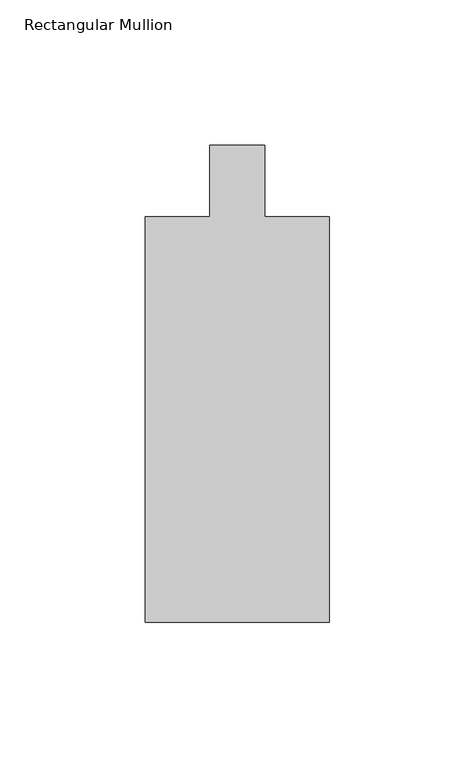
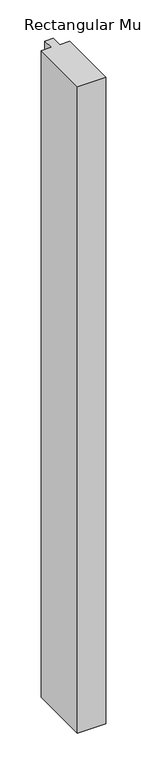
"""IFC4 building model written with IfcOpenShell, lengths in millimetres: member geometry, Rectangular Mullion."""

from ifc_helpers import new_model, si_unit, frame, origin, place, context, project, spatial, polyline, outline, extrude, source, transform, mapped, element, save


def rectangular_mullion_d1c6da17(model_context):
    return source(origin(), model_context, "Body", "SweptSolid", [
        extrude(outline(polyline([(31.75, -85.6257812), (-31.75, -85.6257812), (-31.75, 54.0742137), (-9.5251132, 54.0742137), (-9.5251132, 78.6927691), (9.5251132, 78.6927691), (9.5251132, 54.0742137), (31.75, 54.0742137), (31.75, -85.6257812)])), frame((0.0, 0.0, -1524.0), z_axis=(0.0, 0.0, 1.0), x_axis=(1.0, 0.0, 0.0)), (0.0, 0.0, 1.0), 1524.0),
    ])


if __name__ == "__main__":
    model = new_model("IFC4")
    model_context = context("Model", 3, world=origin())
    ifc_project = project(units=[si_unit("LENGTHUNIT", "METRE", prefix="MILLI")], contexts=[model_context])
    site = spatial("IfcSite", under=ifc_project)
    building = spatial("IfcBuilding", under=site)
    placement = place(None, origin())
    rectangular_mullion_shape = rectangular_mullion_d1c6da17(model_context)
    element("IfcMember", 1, ObjectType="Rectangular Mullion", at=placement, inside=building, context=model_context, shape_type="MappedRepresentation", body=[
        mapped(rectangular_mullion_shape, transform((0.0, 0.0, 0.0), x_axis=(1.0, 0.0, 0.0), y_axis=(0.0, 1.0, 0.0), z_axis=(0.0, 0.0, 1.0))),
    ])
    save(model, "model.ifc")
